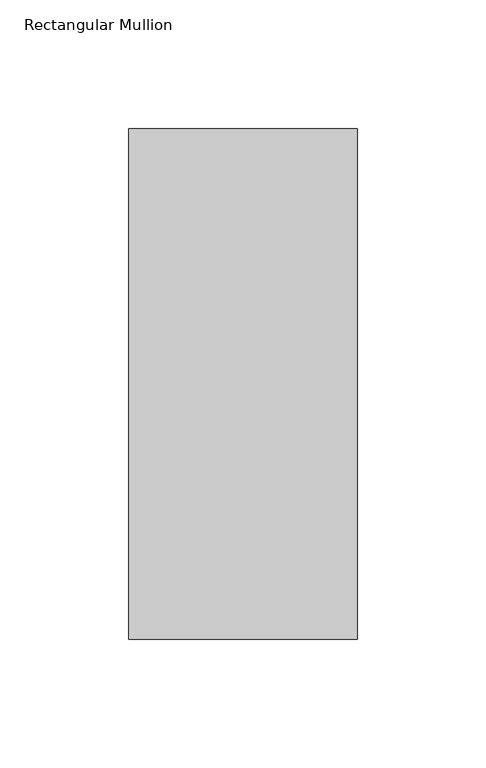
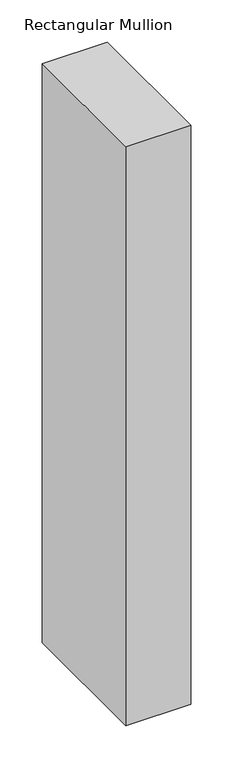
"""IFC4 building model written with IfcOpenShell, lengths in millimetres: member geometry, Rectangular Mullion."""

from ifc_helpers import new_model, si_unit, frame, origin, place, context, project, spatial, polyline, outline, extrude, source, transform, mapped, element, save


def rectangular_mullion_f4f7247f(model_context):
    return source(origin(), model_context, "Body", "SweptSolid", [
        extrude(outline(polyline([(-88.9, 42.06875), (0.0, 42.06875), (0.0, -156.36875), (-88.9, -156.36875), (-88.9, 42.06875)])), frame((0.0, 0.0, -838.2), z_axis=(0.0, 0.0, 1.0), x_axis=(1.0, 0.0, 0.0)), (0.0, 0.0, 1.0), 838.2),
    ])


if __name__ == "__main__":
    model = new_model("IFC4")
    model_context = context("Model", 3, world=origin())
    ifc_project = project(units=[si_unit("LENGTHUNIT", "METRE", prefix="MILLI")], contexts=[model_context])
    site = spatial("IfcSite", under=ifc_project)
    building = spatial("IfcBuilding", under=site)
    placement = place(None, origin())
    rectangular_mullion_shape = rectangular_mullion_f4f7247f(model_context)
    element("IfcMember", 1, ObjectType="Rectangular Mullion", at=placement, inside=building, context=model_context, shape_type="MappedRepresentation", body=[
        mapped(rectangular_mullion_shape, transform((0.0, 0.0, 0.0), x_axis=(1.0, 0.0, 0.0), y_axis=(0.0, 1.0, 0.0), z_axis=(0.0, 0.0, 1.0))),
    ])
    save(model, "model.ifc")
